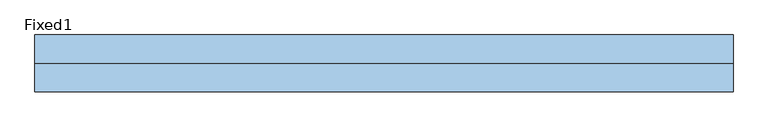
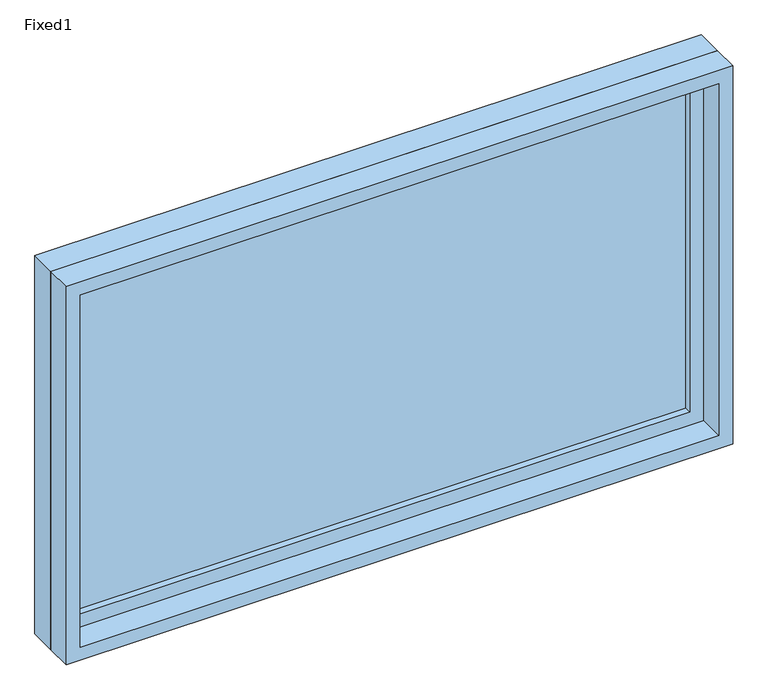
"""IFC4 building model written with IfcOpenShell, lengths in millimetres: window geometry, Fixed1."""

from ifc_helpers import new_model, si_unit, frame, origin, place, context, project, spatial, polyline, outline, extrude, source, transform, mapped, element, save


def fixed1_8c030486(model_context):
    return source(origin(), model_context, "Body", "SweptSolid", [
        extrude(outline(polyline([(660.4, 14.2875), (-736.6, 14.2875), (-736.6, 26.9875), (660.4, 26.9875), (660.4, 14.2875)])), frame((0.0, 0.0, 1130.3), z_axis=(0.0, 0.0, 1.0), x_axis=(1.0, 0.0, 0.0)), (0.0, 0.0, 1.0), 787.4),
        extrude(outline(polyline([(1962.15, -781.05), (1085.85, -781.05), (1085.85, 704.85), (1962.15, 704.85), (1962.15, -781.05)]), holes=[polyline([(1917.7, -736.6), (1917.7, 660.4), (1130.3, 660.4), (1130.3, -736.6), (1917.7, -736.6)])]), frame((0.0, -1.5875, 0.0), z_axis=(0.0, 1.0, 0.0), x_axis=(0.0, 0.0, 1.0)), (0.0, 0.0, 1.0), 44.45),
        extrude(outline(polyline([(1981.2, -800.1), (1066.8, -800.1), (1066.8, 723.9), (1981.2, 723.9), (1981.2, -800.1)]), holes=[polyline([(1949.45, -768.35), (1949.45, 692.15), (1098.55, 692.15), (1098.55, -768.35), (1949.45, -768.35)])]), frame((0.0, -61.9125, 0.0), z_axis=(0.0, 1.0, 0.0), x_axis=(0.0, 0.0, 1.0)), (0.0, 0.0, 1.0), 60.325),
        extrude(outline(polyline([(1981.2, 723.9), (1981.2, -800.1), (1066.8, -800.1), (1066.8, 723.9), (1981.2, 723.9)]), holes=[polyline([(1962.15, 704.85), (1085.85, 704.85), (1085.85, -781.05), (1962.15, -781.05), (1962.15, 704.85)])]), frame((0.0, -1.5875, 0.0), z_axis=(0.0, 1.0, 0.0), x_axis=(0.0, 0.0, 1.0)), (0.0, 0.0, 1.0), 63.5),
    ])


if __name__ == "__main__":
    model = new_model("IFC4")
    model_context = context("Model", 3, world=origin())
    ifc_project = project(units=[si_unit("LENGTHUNIT", "METRE", prefix="MILLI")], contexts=[model_context])
    site = spatial("IfcSite", under=ifc_project)
    building = spatial("IfcBuilding", under=site)
    placement = place(None, origin())
    fixed1_shape = fixed1_8c030486(model_context)
    element("IfcWindow", 1, ObjectType="Fixed1", at=placement, inside=building, context=model_context, shape_type="MappedRepresentation", body=[
        mapped(fixed1_shape, transform((0.0, 0.0, 0.0), x_axis=(1.0, 0.0, 0.0), y_axis=(0.0, 1.0, 0.0), z_axis=(0.0, 0.0, 1.0))),
    ])
    save(model, "model.ifc")
